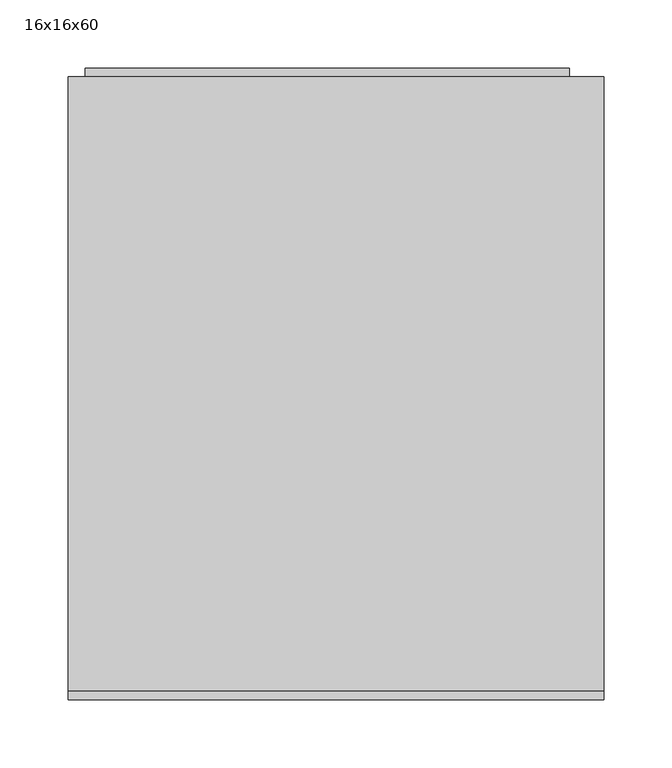
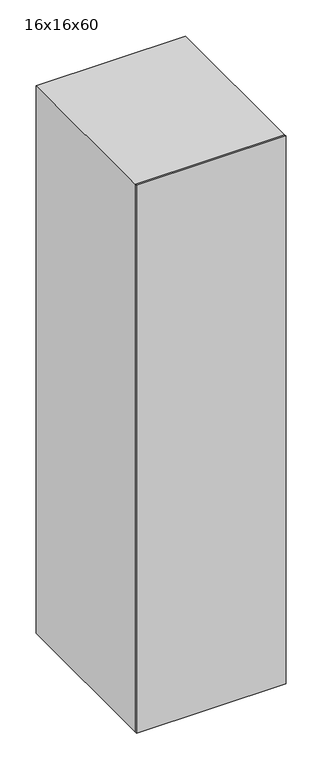
"""IFC4 building model written with IfcOpenShell, lengths in millimetres: furniture geometry, 16x16x60."""

from ifc_helpers import new_model, si_unit, frame, origin, origin_with_axes, place, context, project, spatial, polyline, outline, extrude, source, transform, mapped, element, save


def furniture_16x16x60_eda0316b(model_context):
    return source(origin(), model_context, "Body", "SweptSolid", [
        extrude(outline(polyline([(1498.6, 177.8), (1498.6, -177.8), (0.0, -177.8), (0.0, 177.8), (1498.6, 177.8)]), holes=[polyline([(1375.3615171, 76.2), (1362.6615171, 76.2), (1362.6615171, -76.2), (1375.3615171, -76.2), (1375.3615171, 76.2)]), polyline([(1349.9615171, 76.2), (1337.2615171, 76.2), (1337.2615171, -76.2), (1349.9615171, -76.2), (1349.9615171, 76.2)]), polyline([(1324.5615171, 76.2), (1311.8615171, 76.2), (1311.8615171, -76.2), (1324.5615171, -76.2), (1324.5615171, 76.2)])]), frame((0.0, 298.45, 0.0), z_axis=(0.0, 1.0, 0.0), x_axis=(0.0, 0.0, 1.0)), (0.0, 0.0, 1.0), 6.35),
        extrude(outline(polyline([(1524.0, 203.2), (1524.0, -190.5), (0.0, -190.5), (0.0, 203.2), (1524.0, 203.2)]), holes=[polyline([(76.2, -177.8), (1498.6, -177.8), (1498.6, 177.8), (76.2, 177.8), (76.2, -177.8)])]), frame((0.0, -146.05, 0.0), z_axis=(0.0, 1.0, 0.0), x_axis=(0.0, 0.0, 1.0)), (0.0, 0.0, 1.0), 450.85),
        extrude(outline(polyline([(203.2, -146.05), (203.2, -152.4), (-190.5, -152.4), (-190.5, -146.05), (203.2, -146.05)])), origin_with_axes(), (0.0, 0.0, 1.0), 1524.0),
        extrude(outline(polyline([(340.1012595, -13.8620087), (365.1104902, -13.8620087), (365.1104902, -15.8769126), (361.782846, -18.6580905), (358.8581826, -23.2404703), (355.9029902, -23.2404703), (357.4813316, -19.9494607), (359.5908749, -16.9881626), (340.1012595, -16.9881626), (340.1012595, -13.8620087)])), frame((0.0, 304.8, 0.0), z_axis=(0.0, 1.0, 0.0), x_axis=(0.0, 0.0, 1.0)), (0.0, 0.0, 1.0), 3.175),
        extrude(outline(polyline([(352.4043845, -6.4373933), (342.0917402, -3.9462395), (339.7104902, 1.7687605), (341.0812354, 6.3450345), (345.2392643, 9.0651547), (352.4043845, 9.9749143), (358.2811874, 9.4070778), (361.9812835, 7.9416932), (364.3045287, 5.4200105), (365.1104902, 1.7687605), (363.7489037, -2.7891962), (359.6000335, -5.5184751), (352.4043845, -6.4373933)]), holes=[polyline([(352.4104902, -3.3112395), (360.3113556, -1.7970087), (361.9843364, 1.7321259), (360.0854422, 5.432222), (352.4104902, 6.8487605), (344.6531104, 5.3833759), (342.8366441, 1.7687605), (344.6470047, -1.8458549), (352.4104902, -3.3112395)])]), frame((0.0, 304.8, 0.0), z_axis=(0.0, 1.0, 0.0), x_axis=(0.0, 0.0, 1.0)), (0.0, 0.0, 1.0), 3.175),
        extrude(outline(polyline([(340.1012595, 24.4333759), (365.1104902, 24.4333759), (365.1104902, 22.418472), (361.782846, 19.6372942), (358.8581826, 15.0549143), (355.9029902, 15.0549143), (357.4813316, 18.345924), (359.5908749, 21.307222), (340.1012595, 21.307222), (340.1012595, 24.4333759)])), frame((0.0, 304.8, 0.0), z_axis=(0.0, 1.0, 0.0), x_axis=(0.0, 0.0, 1.0)), (0.0, 0.0, 1.0), 3.175),
        extrude(outline(polyline([(177.8, 311.15), (177.8, 279.4), (-177.8, 279.4), (-177.8, 311.15), (177.8, 311.15)])), frame((0.0, 0.0, 431.8), z_axis=(0.0, 0.0, 1.0), x_axis=(1.0, 0.0, 0.0)), (0.0, 0.0, 1.0), 6.35),
        extrude(outline(polyline([(177.8, 279.4), (177.8, 273.05), (-177.8, 273.05), (-177.8, 279.4), (177.8, 279.4)])), frame((0.0, 0.0, 76.2), z_axis=(0.0, 0.0, 1.0), x_axis=(1.0, 0.0, 0.0)), (0.0, 0.0, 1.0), 361.95),
        extrude(outline(polyline([(165.1, 298.45), (165.1, -146.05), (-177.8, -146.05), (-177.8, 298.45), (165.1, 298.45)])), frame((0.0, 0.0, 1320.8), z_axis=(0.0, 0.0, 1.0), x_axis=(1.0, 0.0, 0.0)), (0.0, 0.0, 1.0), 6.35),
        extrude(outline(polyline([(177.8, 298.45), (177.8, -146.05), (-177.8, -146.05), (-177.8, 298.45), (177.8, 298.45)])), frame((0.0, 0.0, 438.15), z_axis=(0.0, 0.0, 1.0), x_axis=(1.0, 0.0, 0.0)), (0.0, 0.0, 1.0), 19.05),
    ])


if __name__ == "__main__":
    model = new_model("IFC4")
    model_context = context("Model", 3, world=origin())
    ifc_project = project(units=[si_unit("LENGTHUNIT", "METRE", prefix="MILLI")], contexts=[model_context])
    site = spatial("IfcSite", under=ifc_project)
    building = spatial("IfcBuilding", under=site)
    placement = place(None, origin())
    furniture_16x16x60_shape = furniture_16x16x60_eda0316b(model_context)
    element("IfcFurniture", 1, ObjectType="16x16x60", at=placement, inside=building, context=model_context, shape_type="MappedRepresentation", body=[
        mapped(furniture_16x16x60_shape, transform((0.0, 0.0, 0.0), x_axis=(1.0, 0.0, 0.0), y_axis=(0.0, 1.0, 0.0), z_axis=(0.0, 0.0, 1.0))),
    ])
    save(model, "model.ifc")
